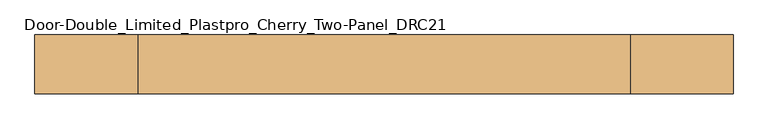
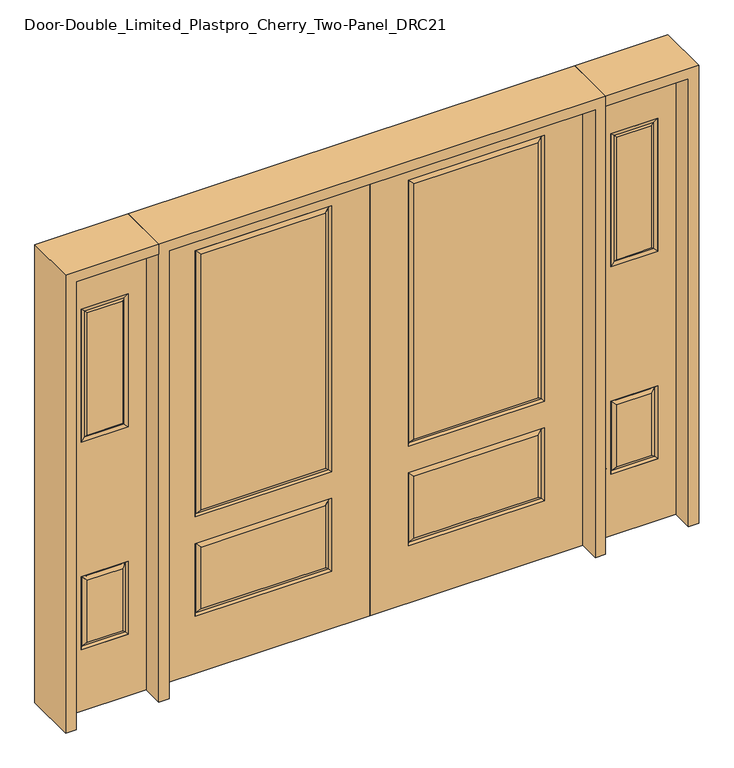
"""IFC4 building model written with IfcOpenShell, lengths in millimetres: door geometry, Door-Double_Limited_Plastpro_Cherry_Two-Panel_DRC21."""

from ifc_helpers import new_model, si_unit, frame, origin, place, context, project, spatial, polyline, outline, extrude, faceted_brep, source, transform, mapped, element, save


def door_double_limited_plastpro_cherry_two_panel_drc21_812c9f96(model_context):
    return source(origin(), model_context, "Body", "SolidModel", [
        faceted_brep([(0.0, -22.225, 0.0), (0.0, 22.225, 0.0), (914.4, 22.225, 0.0), (914.4, -22.225, 0.0), (0.0, -22.225, 2032.0), (0.0, 22.225, 2032.0), (724.69375, 22.225, 284.95625), (189.70625, 22.225, 284.95625), (189.70625, 22.225, 565.94375), (724.69375, 22.225, 565.94375), (724.69375, 22.225, 735.80625), (189.70625, 22.225, 735.80625), (189.70625, 22.225, 1893.09375), (724.69375, 22.225, 1893.09375), (914.4, 22.225, 2032.0), (165.1, 22.225, 711.2), (749.3, 22.225, 711.2), (749.3, 22.225, 1917.7), (165.1, 22.225, 1917.7), (165.1, 22.225, 260.35), (749.3, 22.225, 260.35), (749.3, 22.225, 590.55), (165.1, 22.225, 590.55), (914.4, -22.225, 2032.0), (189.70625, -22.225, 284.95625), (724.69375, -22.225, 284.95625), (724.69375, -22.225, 565.94375), (189.70625, -22.225, 565.94375), (189.70625, -22.225, 735.80625), (724.69375, -22.225, 735.80625), (724.69375, -22.225, 1893.09375), (189.70625, -22.225, 1893.09375), (749.3, -22.225, 711.2), (165.1, -22.225, 711.2), (165.1, -22.225, 1917.7), (749.3, -22.225, 1917.7), (749.3, -22.225, 260.35), (165.1, -22.225, 260.35), (165.1, -22.225, 590.55), (749.3, -22.225, 590.55), (742.1911499, -12.7912373, 267.4588501), (172.2088501, -12.7912373, 267.4588501), (172.2088501, -12.7912373, 583.4411499), (742.1911499, -12.7912373, 583.4411499), (742.1911499, -12.7912373, 718.3088501), (172.2088501, -12.7912373, 718.3088501), (172.2088501, -12.7912373, 1910.5911499), (742.1911499, -12.7912373, 1910.5911499), (172.2088501, 12.7912373, 267.4588501), (742.1911499, 12.7912373, 267.4588501), (742.1911499, 12.7912373, 583.4411499), (172.2088501, 12.7912373, 583.4411499), (172.2088501, 12.7912373, 718.3088501), (742.1911499, 12.7912373, 718.3088501), (742.1911499, 12.7912373, 1910.5911499), (172.2088501, 12.7912373, 1910.5911499)], [[[0, 1, 2, 3]], [[4, 5, 1, 0]], [[6, 7, 8, 9]], [[10, 11, 12, 13]], [[5, 14, 2, 1], [15, 16, 17, 18], [19, 20, 21, 22]], [[14, 23, 3, 2]], [[24, 25, 26, 27]], [[28, 29, 30, 31]], [[23, 4, 0, 3], [32, 33, 34, 35], [36, 37, 38, 39]], [[36, 40, 41, 37]], [[37, 41, 42, 38]], [[43, 39, 38, 42]], [[40, 36, 39, 43]], [[41, 40, 25, 24]], [[25, 40, 43, 26]], [[26, 43, 42, 27]], [[41, 24, 27, 42]], [[32, 44, 45, 33]], [[33, 45, 46, 34]], [[44, 32, 35, 47]], [[45, 44, 29, 28]], [[29, 44, 47, 30]], [[45, 28, 31, 46]], [[48, 49, 20, 19]], [[20, 49, 50, 21]], [[21, 50, 51, 22]], [[48, 19, 22, 51]], [[49, 48, 7, 6]], [[7, 48, 51, 8]], [[50, 9, 8, 51]], [[49, 6, 9, 50]], [[52, 53, 16, 15]], [[16, 53, 54, 17]], [[52, 15, 18, 55]], [[53, 52, 11, 10]], [[11, 52, 55, 12]], [[53, 10, 13, 54]], [[4, 23, 14, 5]], [[17, 54, 55, 18]], [[54, 13, 12, 55]], [[47, 35, 34, 46]], [[30, 47, 46, 31]]]),
        faceted_brep([(0.0, -22.225, 0.0), (-914.4, -22.225, 0.0), (-914.4, 22.225, 0.0), (0.0, 22.225, 0.0), (0.0, -22.225, 2032.0), (0.0, 22.225, 2032.0), (-914.4, 22.225, 2032.0), (-165.1, 22.225, 711.2), (-165.1, 22.225, 1917.7), (-749.3, 22.225, 1917.7), (-749.3, 22.225, 711.2), (-165.1, 22.225, 260.35), (-165.1, 22.225, 590.55), (-749.3, 22.225, 590.55), (-749.3, 22.225, 260.35), (-724.69375, 22.225, 284.95625), (-724.69375, 22.225, 565.94375), (-189.70625, 22.225, 565.94375), (-189.70625, 22.225, 284.95625), (-724.69375, 22.225, 735.80625), (-724.69375, 22.225, 1893.09375), (-189.70625, 22.225, 1893.09375), (-189.70625, 22.225, 735.80625), (-914.4, -22.225, 2032.0), (-749.3, -22.225, 711.2), (-749.3, -22.225, 1917.7), (-165.1, -22.225, 1917.7), (-165.1, -22.225, 711.2), (-749.3, -22.225, 260.35), (-749.3, -22.225, 590.55), (-165.1, -22.225, 590.55), (-165.1, -22.225, 260.35), (-189.70625, -22.225, 284.95625), (-189.70625, -22.225, 565.94375), (-724.69375, -22.225, 565.94375), (-724.69375, -22.225, 284.95625), (-189.70625, -22.225, 735.80625), (-189.70625, -22.225, 1893.09375), (-724.69375, -22.225, 1893.09375), (-724.69375, -22.225, 735.80625), (-172.2088501, -12.7912373, 267.4588501), (-742.1911499, -12.7912373, 267.4588501), (-172.2088501, -12.7912373, 583.4411499), (-742.1911499, -12.7912373, 583.4411499), (-172.2088501, -12.7912373, 718.3088501), (-742.1911499, -12.7912373, 718.3088501), (-172.2088501, -12.7912373, 1910.5911499), (-742.1911499, -12.7912373, 1910.5911499), (-172.2088501, 12.7912373, 267.4588501), (-742.1911499, 12.7912373, 267.4588501), (-742.1911499, 12.7912373, 583.4411499), (-172.2088501, 12.7912373, 583.4411499), (-172.2088501, 12.7912373, 718.3088501), (-742.1911499, 12.7912373, 718.3088501), (-742.1911499, 12.7912373, 1910.5911499), (-172.2088501, 12.7912373, 1910.5911499)], [[[0, 1, 2, 3]], [[4, 0, 3, 5]], [[5, 3, 2, 6], [7, 8, 9, 10], [11, 12, 13, 14]], [[15, 16, 17, 18]], [[19, 20, 21, 22]], [[6, 2, 1, 23]], [[23, 1, 0, 4], [24, 25, 26, 27], [28, 29, 30, 31]], [[32, 33, 34, 35]], [[36, 37, 38, 39]], [[28, 31, 40, 41]], [[31, 30, 42, 40]], [[43, 42, 30, 29]], [[41, 43, 29, 28]], [[40, 32, 35, 41]], [[35, 34, 43, 41]], [[34, 33, 42, 43]], [[40, 42, 33, 32]], [[24, 27, 44, 45]], [[27, 26, 46, 44]], [[45, 47, 25, 24]], [[44, 36, 39, 45]], [[39, 38, 47, 45]], [[44, 46, 37, 36]], [[48, 11, 14, 49]], [[14, 13, 50, 49]], [[13, 12, 51, 50]], [[48, 51, 12, 11]], [[49, 15, 18, 48]], [[18, 17, 51, 48]], [[50, 51, 17, 16]], [[49, 50, 16, 15]], [[52, 7, 10, 53]], [[10, 9, 54, 53]], [[52, 55, 8, 7]], [[53, 19, 22, 52]], [[22, 21, 55, 52]], [[53, 54, 20, 19]], [[4, 5, 6, 23]], [[9, 8, 55, 54]], [[54, 55, 21, 20]], [[47, 46, 26, 25]], [[38, 37, 46, 47]]]),
        faceted_brep([(1036.32, -20.6375, 1822.45), (1036.32, 20.6375, 1822.45), (1036.32, 20.6375, 1219.2), (1036.32, -20.6375, 1219.2), (1061.72, 12.7, 1797.05), (1061.72, 12.7, 1244.6), (1236.98, 20.6375, 1219.2), (1236.98, -20.6375, 1219.2), (1061.72, -12.7, 1797.05), (1061.72, -12.7, 1244.6), (1211.58, -12.7, 1244.6), (1211.58, 12.7, 1244.6), (1236.98, 20.6375, 1822.45), (1236.98, -20.6375, 1822.45), (1211.58, -12.7, 1797.05), (1211.58, 12.7, 1797.05)], [[[0, 1, 2, 3]], [[1, 4, 5, 2]], [[3, 2, 6, 7]], [[8, 0, 3, 9]], [[9, 3, 7, 10]], [[4, 8, 9, 5]], [[5, 9, 10, 11]], [[2, 5, 11, 6]], [[7, 6, 12, 13]], [[10, 7, 13, 14]], [[11, 10, 14, 15]], [[6, 11, 15, 12]], [[13, 12, 1, 0]], [[14, 13, 0, 8]], [[15, 14, 8, 4]], [[12, 15, 4, 1]]]),
        extrude(outline(polyline([(1061.72, 12.7), (1211.58, 12.7), (1211.58, -12.7), (1061.72, -12.7), (1061.72, 12.7)])), frame((0.0, 0.0, 1244.6), z_axis=(0.0, 0.0, 1.0), x_axis=(1.0, 0.0, 0.0)), (0.0, 0.0, 1.0), 552.45),
        faceted_brep([(1212.37375, 20.6375, 304.00625), (1060.92625, 20.6375, 304.00625), (1060.92625, 20.6375, 584.99375), (1212.37375, 20.6375, 584.99375), (1060.92625, -20.6375, 304.00625), (1212.37375, -20.6375, 304.00625), (1212.37375, -20.6375, 584.99375), (1060.92625, -20.6375, 584.99375), (1036.32, 20.6375, 279.4), (1036.32, -20.6375, 279.4), (1036.32, -20.6375, 609.6), (1036.32, 20.6375, 609.6), (1236.98, 20.6375, 279.4), (1236.98, -20.6375, 279.4), (1236.98, 20.6375, 609.6), (1236.98, -20.6375, 609.6), (1229.8711499, -11.2037373, 286.5088501), (1043.4288501, -11.2037373, 286.5088501), (1229.8711499, -11.2037373, 602.4911499), (1043.4288501, -11.2037373, 602.4911499), (1043.4288501, 11.2037373, 286.5088501), (1229.8711499, 11.2037373, 286.5088501), (1229.8711499, 11.2037373, 602.4911499), (1043.4288501, 11.2037373, 602.4911499)], [[[0, 1, 2, 3]], [[4, 5, 6, 7]], [[8, 9, 10, 11]], [[9, 8, 12, 13]], [[13, 12, 14, 15]], [[11, 10, 15, 14]], [[13, 16, 17, 9]], [[17, 16, 5, 4]], [[16, 13, 15, 18]], [[5, 16, 18, 6]], [[18, 15, 10, 19]], [[6, 18, 19, 7]], [[9, 17, 19, 10]], [[17, 4, 7, 19]], [[20, 21, 12, 8]], [[21, 20, 1, 0]], [[12, 21, 22, 14]], [[21, 0, 3, 22]], [[14, 22, 23, 11]], [[22, 3, 2, 23]], [[20, 8, 11, 23]], [[1, 20, 23, 2]]]),
        extrude(outline(polyline([(0.0, 1314.45), (2032.0, 1314.45), (2032.0, 958.85), (0.0, 958.85), (0.0, 1314.45)]), holes=[polyline([(1822.45, 1036.32), (1822.45, 1236.98), (1219.2, 1236.98), (1219.2, 1036.32), (1822.45, 1036.32)]), polyline([(279.4, 1236.98), (279.4, 1036.32), (609.6, 1036.32), (609.6, 1236.98), (279.4, 1236.98)])]), frame((0.0, -20.6375, 0.0), z_axis=(0.0, 1.0, 0.0), x_axis=(0.0, 0.0, 1.0)), (0.0, 0.0, 1.0), 41.275),
        faceted_brep([(1212.37375, 20.6375, 1243.80625), (1060.92625, 20.6375, 1243.80625), (1060.92625, 20.6375, 1797.84375), (1212.37375, 20.6375, 1797.84375), (1229.8711499, 11.2037373, 1226.3088501), (1043.4288501, 11.2037373, 1226.3088501), (1043.4288501, 11.2037373, 1815.3411499), (1229.8711499, 11.2037373, 1815.3411499), (1060.92625, -20.6375, 1243.80625), (1212.37375, -20.6375, 1243.80625), (1212.37375, -20.6375, 1797.84375), (1060.92625, -20.6375, 1797.84375), (1043.4288501, -11.2037373, 1226.3088501), (1229.8711499, -11.2037373, 1226.3088501), (1229.8711499, -11.2037373, 1815.3411499), (1043.4288501, -11.2037373, 1815.3411499), (1036.32, 20.6375, 1219.2), (1036.32, -20.6375, 1219.2), (1036.32, -20.6375, 1822.45), (1036.32, 20.6375, 1822.45), (1236.98, 20.6375, 1219.2), (1236.98, -20.6375, 1219.2), (1236.98, 20.6375, 1822.45), (1236.98, -20.6375, 1822.45)], [[[0, 1, 2, 3]], [[4, 5, 1, 0]], [[1, 5, 6, 2]], [[4, 0, 3, 7]], [[8, 9, 10, 11]], [[12, 13, 9, 8]], [[9, 13, 14, 10]], [[12, 8, 11, 15]], [[16, 17, 18, 19]], [[17, 16, 20, 21]], [[17, 12, 15, 18]], [[5, 16, 19, 6]], [[5, 4, 20, 16]], [[21, 20, 22, 23]], [[21, 13, 12, 17]], [[20, 4, 7, 22]], [[13, 21, 23, 14]], [[19, 18, 23, 22]], [[14, 23, 18, 15]], [[10, 14, 15, 11]], [[22, 7, 6, 19]], [[7, 3, 2, 6]]]),
        extrude(outline(polyline([(1060.45, 12.7), (1212.85, 12.7), (1212.85, -12.7), (1060.45, -12.7), (1060.45, 12.7)])), frame((0.0, 0.0, 292.1), z_axis=(0.0, 0.0, 1.0), x_axis=(1.0, 0.0, 0.0)), (0.0, 0.0, 1.0), 1600.2),
        faceted_brep([(-1036.32, -20.6375, 1822.45), (-1036.32, -20.6375, 1219.2), (-1036.32, 20.6375, 1219.2), (-1036.32, 20.6375, 1822.45), (-1061.72, 12.7, 1244.6), (-1061.72, 12.7, 1797.05), (-1236.98, -20.6375, 1219.2), (-1236.98, 20.6375, 1219.2), (-1061.72, -12.7, 1797.05), (-1061.72, -12.7, 1244.6), (-1211.58, -12.7, 1244.6), (-1211.58, 12.7, 1244.6), (-1236.98, -20.6375, 1822.45), (-1236.98, 20.6375, 1822.45), (-1211.58, -12.7, 1797.05), (-1211.58, 12.7, 1797.05)], [[[0, 1, 2, 3]], [[3, 2, 4, 5]], [[1, 6, 7, 2]], [[8, 9, 1, 0]], [[9, 10, 6, 1]], [[5, 4, 9, 8]], [[4, 11, 10, 9]], [[2, 7, 11, 4]], [[6, 12, 13, 7]], [[10, 14, 12, 6]], [[11, 15, 14, 10]], [[7, 13, 15, 11]], [[12, 0, 3, 13]], [[14, 8, 0, 12]], [[15, 5, 8, 14]], [[13, 3, 5, 15]]]),
        extrude(outline(polyline([(-1061.72, 12.7), (-1061.72, -12.7), (-1211.58, -12.7), (-1211.58, 12.7), (-1061.72, 12.7)])), frame((0.0, 0.0, 1244.6), z_axis=(0.0, 0.0, 1.0), x_axis=(1.0, 0.0, 0.0)), (0.0, 0.0, 1.0), 552.45),
        faceted_brep([(-1212.37375, 20.6375, 304.00625), (-1212.37375, 20.6375, 584.99375), (-1060.92625, 20.6375, 584.99375), (-1060.92625, 20.6375, 304.00625), (-1060.92625, -20.6375, 304.00625), (-1060.92625, -20.6375, 584.99375), (-1212.37375, -20.6375, 584.99375), (-1212.37375, -20.6375, 304.00625), (-1036.32, 20.6375, 279.4), (-1036.32, 20.6375, 609.6), (-1036.32, -20.6375, 609.6), (-1036.32, -20.6375, 279.4), (-1236.98, -20.6375, 279.4), (-1236.98, 20.6375, 279.4), (-1236.98, -20.6375, 609.6), (-1236.98, 20.6375, 609.6), (-1043.4288501, -11.2037373, 286.5088501), (-1229.8711499, -11.2037373, 286.5088501), (-1229.8711499, -11.2037373, 602.4911499), (-1043.4288501, -11.2037373, 602.4911499), (-1043.4288501, 11.2037373, 286.5088501), (-1229.8711499, 11.2037373, 286.5088501), (-1229.8711499, 11.2037373, 602.4911499), (-1043.4288501, 11.2037373, 602.4911499)], [[[0, 1, 2, 3]], [[4, 5, 6, 7]], [[8, 9, 10, 11]], [[11, 12, 13, 8]], [[12, 14, 15, 13]], [[9, 15, 14, 10]], [[12, 11, 16, 17]], [[16, 4, 7, 17]], [[17, 18, 14, 12]], [[7, 6, 18, 17]], [[18, 19, 10, 14]], [[6, 5, 19, 18]], [[11, 10, 19, 16]], [[16, 19, 5, 4]], [[20, 8, 13, 21]], [[21, 0, 3, 20]], [[13, 15, 22, 21]], [[21, 22, 1, 0]], [[15, 9, 23, 22]], [[22, 23, 2, 1]], [[20, 23, 9, 8]], [[3, 2, 23, 20]]]),
        extrude(outline(polyline([(0.0, -1314.45), (0.0, -958.85), (2032.0, -958.85), (2032.0, -1314.45), (0.0, -1314.45)]), holes=[polyline([(279.4, -1236.98), (609.6, -1236.98), (609.6, -1036.32), (279.4, -1036.32), (279.4, -1236.98)]), polyline([(1822.45, -1036.32), (1219.2, -1036.32), (1219.2, -1236.98), (1822.45, -1236.98), (1822.45, -1036.32)])]), frame((0.0, -20.6375, 0.0), z_axis=(0.0, 1.0, 0.0), x_axis=(0.0, 0.0, 1.0)), (0.0, 0.0, 1.0), 41.275),
        faceted_brep([(-1212.37375, 20.6375, 1243.80625), (-1212.37375, 20.6375, 1797.84375), (-1060.92625, 20.6375, 1797.84375), (-1060.92625, 20.6375, 1243.80625), (-1229.8711499, 11.2037373, 1226.3088501), (-1043.4288501, 11.2037373, 1226.3088501), (-1043.4288501, 11.2037373, 1815.3411499), (-1229.8711499, 11.2037373, 1815.3411499), (-1060.92625, -20.6375, 1243.80625), (-1060.92625, -20.6375, 1797.84375), (-1212.37375, -20.6375, 1797.84375), (-1212.37375, -20.6375, 1243.80625), (-1043.4288501, -11.2037373, 1226.3088501), (-1229.8711499, -11.2037373, 1226.3088501), (-1229.8711499, -11.2037373, 1815.3411499), (-1043.4288501, -11.2037373, 1815.3411499), (-1036.32, 20.6375, 1219.2), (-1036.32, 20.6375, 1822.45), (-1036.32, -20.6375, 1822.45), (-1036.32, -20.6375, 1219.2), (-1236.98, -20.6375, 1219.2), (-1236.98, 20.6375, 1219.2), (-1236.98, -20.6375, 1822.45), (-1236.98, 20.6375, 1822.45)], [[[0, 1, 2, 3]], [[4, 0, 3, 5]], [[3, 2, 6, 5]], [[4, 7, 1, 0]], [[8, 9, 10, 11]], [[12, 8, 11, 13]], [[11, 10, 14, 13]], [[12, 15, 9, 8]], [[16, 17, 18, 19]], [[19, 20, 21, 16]], [[19, 18, 15, 12]], [[5, 6, 17, 16]], [[5, 16, 21, 4]], [[20, 22, 23, 21]], [[20, 19, 12, 13]], [[21, 23, 7, 4]], [[13, 14, 22, 20]], [[17, 23, 22, 18]], [[14, 15, 18, 22]], [[10, 9, 15, 14]], [[23, 17, 6, 7]], [[7, 6, 2, 1]]]),
        extrude(outline(polyline([(-1060.45, 12.7), (-1060.45, -12.7), (-1212.85, -12.7), (-1212.85, 12.7), (-1060.45, 12.7)])), frame((0.0, 0.0, 292.1), z_axis=(0.0, 0.0, 1.0), x_axis=(1.0, 0.0, 0.0)), (0.0, 0.0, 1.0), 1600.2),
        extrude(outline(polyline([(2076.45, -958.85), (2076.45, -1358.9), (0.0, -1358.9), (0.0, -1314.45), (2032.0, -1314.45), (2032.0, -958.85), (2076.45, -958.85)])), frame((0.0, -114.3, 0.0), z_axis=(0.0, 1.0, 0.0), x_axis=(0.0, 0.0, 1.0)), (0.0, 0.0, 1.0), 228.6),
        extrude(outline(polyline([(2076.45, -958.85), (0.0, -958.85), (0.0, -914.4), (2032.0, -914.4), (2032.0, 914.4), (0.0, 914.4), (0.0, 958.85), (2076.45, 958.85), (2076.45, -958.85)])), frame((0.0, -114.3, 0.0), z_axis=(0.0, 1.0, 0.0), x_axis=(0.0, 0.0, 1.0)), (0.0, 0.0, 1.0), 228.6),
        extrude(outline(polyline([(0.0, 1358.9), (2076.45, 1358.9), (2076.45, 958.85), (2032.0, 958.85), (2032.0, 1314.45), (0.0, 1314.45), (0.0, 1358.9)])), frame((0.0, -114.3, 0.0), z_axis=(0.0, 1.0, 0.0), x_axis=(0.0, 0.0, 1.0)), (0.0, 0.0, 1.0), 228.6),
    ])


if __name__ == "__main__":
    model = new_model("IFC4")
    model_context = context("Model", 3, world=origin())
    ifc_project = project(units=[si_unit("LENGTHUNIT", "METRE", prefix="MILLI")], contexts=[model_context])
    site = spatial("IfcSite", under=ifc_project)
    building = spatial("IfcBuilding", under=site)
    placement = place(None, origin())
    door_double_limited_plastpro_cherry_two_panel_drc21_shape = door_double_limited_plastpro_cherry_two_panel_drc21_812c9f96(model_context)
    element("IfcDoor", 1, ObjectType="Door-Double_Limited_Plastpro_Cherry_Two-Panel_DRC21", at=placement, inside=building, context=model_context, shape_type="MappedRepresentation", body=[
        mapped(door_double_limited_plastpro_cherry_two_panel_drc21_shape, transform((0.0, 0.0, 0.0), x_axis=(1.0, 0.0, 0.0), y_axis=(0.0, 1.0, 0.0), z_axis=(0.0, 0.0, 1.0))),
    ])
    save(model, "model.ifc")
